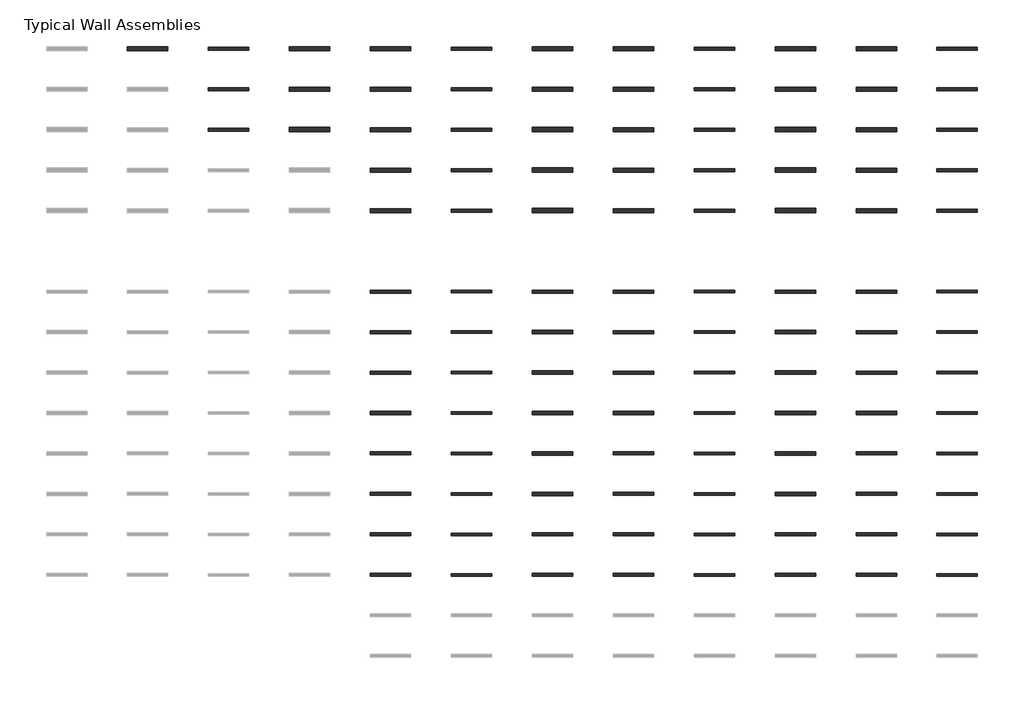
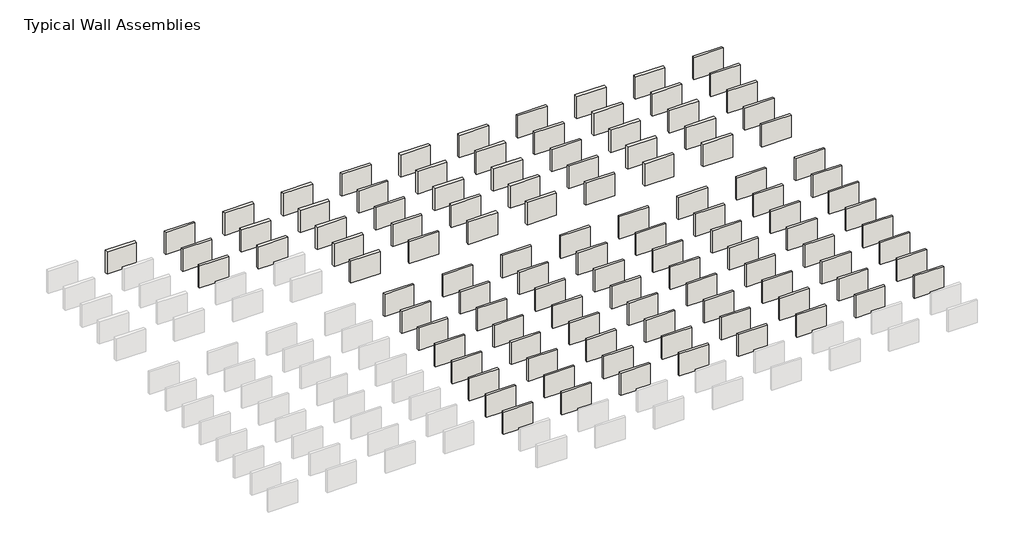
# One storey, part 8 of 8: 111 walls.
"""IFC4 building model written with IfcOpenShell, lengths in millimetres."""

from ifc_helpers import new_model, si_unit, frame, origin, place, context, project, spatial, polyline, outline, extrude, element, save

model = new_model("IFC4")

# Units and contexts
model_context = context("Model", 3, world=origin())
ifc_project = project(units=[si_unit("LENGTHUNIT", "METRE", prefix="MILLI")], contexts=[model_context])

# Site, building, storey
site = spatial("IfcSite", under=ifc_project)
building = spatial("IfcBuilding", under=site)
storey = spatial("IfcBuildingStorey", under=building, Name="Typical Wall Assemblies", Elevation=6096.0)

# Walls
placement = place(None, origin())
element("IfcWall", 1, at=placement, inside=storey, context=model_context, shape_type="SweptSolid", body=[
    extrude(outline(polyline([(-14931.125069, 40675.0407429), (-17979.125069, 40675.0407429), (-17979.125069, 40994.1282521), (-14931.125069, 40994.1282521), (-14931.125069, 40675.0407429)])), frame((0.0, 0.0, 6096.0), z_axis=(0.0, 0.0, 1.0), x_axis=(1.0, 0.0, 0.0)), (0.0, 0.0, 1.0), 2438.4),
])
element("IfcWall", 2, at=placement, inside=storey, context=model_context, shape_type="SweptSolid", body=[
    extrude(outline(polyline([(-8835.125069, 40713.9344947), (-11883.125069, 40713.9344947), (-11883.125069, 40955.2345002), (-8835.125069, 40955.2345002), (-8835.125069, 40713.9344947)])), frame((0.0, 0.0, 6096.0), z_axis=(0.0, 0.0, 1.0), x_axis=(1.0, 0.0, 0.0)), (0.0, 0.0, 1.0), 2438.4),
])
element("IfcWall", 3, at=placement, inside=storey, context=model_context, shape_type="SweptSolid", body=[
    extrude(outline(polyline([(-2739.125069, 40670.2782429), (-5787.125069, 40670.2782429), (-5787.125069, 40998.8907521), (-2739.125069, 40998.8907521), (-2739.125069, 40670.2782429)])), frame((0.0, 0.0, 6096.0), z_axis=(0.0, 0.0, 1.0), x_axis=(1.0, 0.0, 0.0)), (0.0, 0.0, 1.0), 2438.4),
])
element("IfcWall", 4, at=placement, inside=storey, context=model_context, shape_type="SweptSolid", body=[
    extrude(outline(polyline([(3356.874931, 40675.0407429), (308.874931, 40675.0407429), (308.874931, 40994.1282521), (3356.874931, 40994.1282521), (3356.874931, 40675.0407429)])), frame((0.0, 0.0, 6096.0), z_axis=(0.0, 0.0, 1.0), x_axis=(1.0, 0.0, 0.0)), (0.0, 0.0, 1.0), 2438.4),
])
element("IfcWall", 5, at=placement, inside=storey, context=model_context, shape_type="SweptSolid", body=[
    extrude(outline(polyline([(9452.874931, 40713.9344947), (6404.874931, 40713.9344947), (6404.874931, 40955.2345002), (9452.874931, 40955.2345002), (9452.874931, 40713.9344947)])), frame((0.0, 0.0, 6096.0), z_axis=(0.0, 0.0, 1.0), x_axis=(1.0, 0.0, 0.0)), (0.0, 0.0, 1.0), 2438.4),
])
element("IfcWall", 6, at=placement, inside=storey, context=model_context, shape_type="SweptSolid", body=[
    extrude(outline(polyline([(15548.874931, 40670.2782429), (12500.874931, 40670.2782429), (12500.874931, 40998.8907521), (15548.874931, 40998.8907521), (15548.874931, 40670.2782429)])), frame((0.0, 0.0, 6096.0), z_axis=(0.0, 0.0, 1.0), x_axis=(1.0, 0.0, 0.0)), (0.0, 0.0, 1.0), 2438.4),
])
element("IfcWall", 7, at=placement, inside=storey, context=model_context, shape_type="SweptSolid", body=[
    extrude(outline(polyline([(21644.874931, 40675.0407429), (18596.874931, 40675.0407429), (18596.874931, 40994.1282521), (21644.874931, 40994.1282521), (21644.874931, 40675.0407429)])), frame((0.0, 0.0, 6096.0), z_axis=(0.0, 0.0, 1.0), x_axis=(1.0, 0.0, 0.0)), (0.0, 0.0, 1.0), 2438.4),
])
element("IfcWall", 8, at=placement, inside=storey, context=model_context, shape_type="SweptSolid", body=[
    extrude(outline(polyline([(27740.874931, 40713.9344947), (24692.874931, 40713.9344947), (24692.874931, 40955.2345002), (27740.874931, 40955.2345002), (27740.874931, 40713.9344947)])), frame((0.0, 0.0, 6096.0), z_axis=(0.0, 0.0, 1.0), x_axis=(1.0, 0.0, 0.0)), (0.0, 0.0, 1.0), 2438.4),
])
element("IfcWall", 9, at=placement, inside=storey, context=model_context, shape_type="SweptSolid", body=[
    extrude(outline(polyline([(33836.874931, 40670.2782429), (30788.874931, 40670.2782429), (30788.874931, 40998.8907521), (33836.874931, 40998.8907521), (33836.874931, 40670.2782429)])), frame((0.0, 0.0, 6096.0), z_axis=(0.0, 0.0, 1.0), x_axis=(1.0, 0.0, 0.0)), (0.0, 0.0, 1.0), 2438.4),
])
element("IfcWall", 10, at=placement, inside=storey, context=model_context, shape_type="SweptSolid", body=[
    extrude(outline(polyline([(39932.874931, 40675.0407429), (36884.874931, 40675.0407429), (36884.874931, 40994.1282521), (39932.874931, 40994.1282521), (39932.874931, 40675.0407429)])), frame((0.0, 0.0, 6096.0), z_axis=(0.0, 0.0, 1.0), x_axis=(1.0, 0.0, 0.0)), (0.0, 0.0, 1.0), 2438.4),
])
element("IfcWall", 11, at=placement, inside=storey, context=model_context, shape_type="SweptSolid", body=[
    extrude(outline(polyline([(46028.874931, 40713.9344947), (42980.874931, 40713.9344947), (42980.874931, 40955.2345002), (46028.874931, 40955.2345002), (46028.874931, 40713.9344947)])), frame((0.0, 0.0, 6096.0), z_axis=(0.0, 0.0, 1.0), x_axis=(1.0, 0.0, 0.0)), (0.0, 0.0, 1.0), 2438.4),
])
element("IfcWall", 12, at=placement, inside=storey, context=model_context, shape_type="SweptSolid", body=[
    extrude(outline(polyline([(-8835.125069, 37665.9344947), (-11883.125069, 37665.9344947), (-11883.125069, 37907.2345002), (-8835.125069, 37907.2345002), (-8835.125069, 37665.9344947)])), frame((0.0, 0.0, 6096.0), z_axis=(0.0, 0.0, 1.0), x_axis=(1.0, 0.0, 0.0)), (0.0, 0.0, 1.0), 2438.4),
])
element("IfcWall", 13, at=placement, inside=storey, context=model_context, shape_type="SweptSolid", body=[
    extrude(outline(polyline([(-2739.125069, 37622.2782429), (-5787.125069, 37622.2782429), (-5787.125069, 37950.8907521), (-2739.125069, 37950.8907521), (-2739.125069, 37622.2782429)])), frame((0.0, 0.0, 6096.0), z_axis=(0.0, 0.0, 1.0), x_axis=(1.0, 0.0, 0.0)), (0.0, 0.0, 1.0), 2438.4),
])
element("IfcWall", 14, at=placement, inside=storey, context=model_context, shape_type="SweptSolid", body=[
    extrude(outline(polyline([(3356.874931, 37627.0407429), (308.874931, 37627.0407429), (308.874931, 37946.1282521), (3356.874931, 37946.1282521), (3356.874931, 37627.0407429)])), frame((0.0, 0.0, 6096.0), z_axis=(0.0, 0.0, 1.0), x_axis=(1.0, 0.0, 0.0)), (0.0, 0.0, 1.0), 2438.4),
])
element("IfcWall", 15, at=placement, inside=storey, context=model_context, shape_type="SweptSolid", body=[
    extrude(outline(polyline([(9452.874931, 37665.9344947), (6404.874931, 37665.9344947), (6404.874931, 37907.2345002), (9452.874931, 37907.2345002), (9452.874931, 37665.9344947)])), frame((0.0, 0.0, 6096.0), z_axis=(0.0, 0.0, 1.0), x_axis=(1.0, 0.0, 0.0)), (0.0, 0.0, 1.0), 2438.4),
])
element("IfcWall", 16, at=placement, inside=storey, context=model_context, shape_type="SweptSolid", body=[
    extrude(outline(polyline([(15548.874931, 37622.2782429), (12500.874931, 37622.2782429), (12500.874931, 37950.8907521), (15548.874931, 37950.8907521), (15548.874931, 37622.2782429)])), frame((0.0, 0.0, 6096.0), z_axis=(0.0, 0.0, 1.0), x_axis=(1.0, 0.0, 0.0)), (0.0, 0.0, 1.0), 2438.4),
])
element("IfcWall", 17, at=placement, inside=storey, context=model_context, shape_type="SweptSolid", body=[
    extrude(outline(polyline([(21644.874931, 37627.0407429), (18596.874931, 37627.0407429), (18596.874931, 37946.1282521), (21644.874931, 37946.1282521), (21644.874931, 37627.0407429)])), frame((0.0, 0.0, 6096.0), z_axis=(0.0, 0.0, 1.0), x_axis=(1.0, 0.0, 0.0)), (0.0, 0.0, 1.0), 2438.4),
])
element("IfcWall", 18, at=placement, inside=storey, context=model_context, shape_type="SweptSolid", body=[
    extrude(outline(polyline([(27740.874931, 37665.9344947), (24692.874931, 37665.9344947), (24692.874931, 37907.2345002), (27740.874931, 37907.2345002), (27740.874931, 37665.9344947)])), frame((0.0, 0.0, 6096.0), z_axis=(0.0, 0.0, 1.0), x_axis=(1.0, 0.0, 0.0)), (0.0, 0.0, 1.0), 2438.4),
])
element("IfcWall", 19, at=placement, inside=storey, context=model_context, shape_type="SweptSolid", body=[
    extrude(outline(polyline([(33836.874931, 37622.2782429), (30788.874931, 37622.2782429), (30788.874931, 37950.8907521), (33836.874931, 37950.8907521), (33836.874931, 37622.2782429)])), frame((0.0, 0.0, 6096.0), z_axis=(0.0, 0.0, 1.0), x_axis=(1.0, 0.0, 0.0)), (0.0, 0.0, 1.0), 2438.4),
])
element("IfcWall", 20, at=placement, inside=storey, context=model_context, shape_type="SweptSolid", body=[
    extrude(outline(polyline([(39932.874931, 37627.0407429), (36884.874931, 37627.0407429), (36884.874931, 37946.1282521), (39932.874931, 37946.1282521), (39932.874931, 37627.0407429)])), frame((0.0, 0.0, 6096.0), z_axis=(0.0, 0.0, 1.0), x_axis=(1.0, 0.0, 0.0)), (0.0, 0.0, 1.0), 2438.4),
])
element("IfcWall", 21, at=placement, inside=storey, context=model_context, shape_type="SweptSolid", body=[
    extrude(outline(polyline([(46028.874931, 37665.9344947), (42980.874931, 37665.9344947), (42980.874931, 37907.2345002), (46028.874931, 37907.2345002), (46028.874931, 37665.9344947)])), frame((0.0, 0.0, 6096.0), z_axis=(0.0, 0.0, 1.0), x_axis=(1.0, 0.0, 0.0)), (0.0, 0.0, 1.0), 2438.4),
])
element("IfcWall", 22, at=placement, inside=storey, context=model_context, shape_type="SweptSolid", body=[
    extrude(outline(polyline([(-8835.125069, 34617.9344947), (-11883.125069, 34617.9344947), (-11883.125069, 34859.2345002), (-8835.125069, 34859.2345002), (-8835.125069, 34617.9344947)])), frame((0.0, 0.0, 6096.0), z_axis=(0.0, 0.0, 1.0), x_axis=(1.0, 0.0, 0.0)), (0.0, 0.0, 1.0), 2438.4),
])
element("IfcWall", 23, at=placement, inside=storey, context=model_context, shape_type="SweptSolid", body=[
    extrude(outline(polyline([(-2739.125069, 34574.2782429), (-5787.125069, 34574.2782429), (-5787.125069, 34902.8907521), (-2739.125069, 34902.8907521), (-2739.125069, 34574.2782429)])), frame((0.0, 0.0, 6096.0), z_axis=(0.0, 0.0, 1.0), x_axis=(1.0, 0.0, 0.0)), (0.0, 0.0, 1.0), 2438.4),
])
element("IfcWall", 24, at=placement, inside=storey, context=model_context, shape_type="SweptSolid", body=[
    extrude(outline(polyline([(3356.874931, 34579.0407429), (308.874931, 34579.0407429), (308.874931, 34898.1282521), (3356.874931, 34898.1282521), (3356.874931, 34579.0407429)])), frame((0.0, 0.0, 6096.0), z_axis=(0.0, 0.0, 1.0), x_axis=(1.0, 0.0, 0.0)), (0.0, 0.0, 1.0), 2438.4),
])
element("IfcWall", 25, at=placement, inside=storey, context=model_context, shape_type="SweptSolid", body=[
    extrude(outline(polyline([(9452.874931, 34617.9344947), (6404.874931, 34617.9344947), (6404.874931, 34859.2345002), (9452.874931, 34859.2345002), (9452.874931, 34617.9344947)])), frame((0.0, 0.0, 6096.0), z_axis=(0.0, 0.0, 1.0), x_axis=(1.0, 0.0, 0.0)), (0.0, 0.0, 1.0), 2438.4),
])
element("IfcWall", 26, at=placement, inside=storey, context=model_context, shape_type="SweptSolid", body=[
    extrude(outline(polyline([(15548.874931, 34574.2782429), (12500.874931, 34574.2782429), (12500.874931, 34902.8907521), (15548.874931, 34902.8907521), (15548.874931, 34574.2782429)])), frame((0.0, 0.0, 6096.0), z_axis=(0.0, 0.0, 1.0), x_axis=(1.0, 0.0, 0.0)), (0.0, 0.0, 1.0), 2438.4),
])
element("IfcWall", 27, at=placement, inside=storey, context=model_context, shape_type="SweptSolid", body=[
    extrude(outline(polyline([(21644.874931, 34579.0407429), (18596.874931, 34579.0407429), (18596.874931, 34898.1282521), (21644.874931, 34898.1282521), (21644.874931, 34579.0407429)])), frame((0.0, 0.0, 6096.0), z_axis=(0.0, 0.0, 1.0), x_axis=(1.0, 0.0, 0.0)), (0.0, 0.0, 1.0), 2438.4),
])
element("IfcWall", 28, at=placement, inside=storey, context=model_context, shape_type="SweptSolid", body=[
    extrude(outline(polyline([(27740.874931, 34617.9344947), (24692.874931, 34617.9344947), (24692.874931, 34859.2345002), (27740.874931, 34859.2345002), (27740.874931, 34617.9344947)])), frame((0.0, 0.0, 6096.0), z_axis=(0.0, 0.0, 1.0), x_axis=(1.0, 0.0, 0.0)), (0.0, 0.0, 1.0), 2438.4),
])
element("IfcWall", 29, at=placement, inside=storey, context=model_context, shape_type="SweptSolid", body=[
    extrude(outline(polyline([(33836.874931, 34574.2782429), (30788.874931, 34574.2782429), (30788.874931, 34902.8907521), (33836.874931, 34902.8907521), (33836.874931, 34574.2782429)])), frame((0.0, 0.0, 6096.0), z_axis=(0.0, 0.0, 1.0), x_axis=(1.0, 0.0, 0.0)), (0.0, 0.0, 1.0), 2438.4),
])
element("IfcWall", 30, at=placement, inside=storey, context=model_context, shape_type="SweptSolid", body=[
    extrude(outline(polyline([(39932.874931, 34579.0407429), (36884.874931, 34579.0407429), (36884.874931, 34898.1282521), (39932.874931, 34898.1282521), (39932.874931, 34579.0407429)])), frame((0.0, 0.0, 6096.0), z_axis=(0.0, 0.0, 1.0), x_axis=(1.0, 0.0, 0.0)), (0.0, 0.0, 1.0), 2438.4),
])
element("IfcWall", 31, at=placement, inside=storey, context=model_context, shape_type="SweptSolid", body=[
    extrude(outline(polyline([(46028.874931, 34617.9344947), (42980.874931, 34617.9344947), (42980.874931, 34859.2345002), (46028.874931, 34859.2345002), (46028.874931, 34617.9344947)])), frame((0.0, 0.0, 6096.0), z_axis=(0.0, 0.0, 1.0), x_axis=(1.0, 0.0, 0.0)), (0.0, 0.0, 1.0), 2438.4),
])
element("IfcWall", 32, at=placement, inside=storey, context=model_context, shape_type="SweptSolid", body=[
    extrude(outline(polyline([(3356.874931, 31531.0407429), (308.874931, 31531.0407429), (308.874931, 31850.1282521), (3356.874931, 31850.1282521), (3356.874931, 31531.0407429)])), frame((0.0, 0.0, 6096.0), z_axis=(0.0, 0.0, 1.0), x_axis=(1.0, 0.0, 0.0)), (0.0, 0.0, 1.0), 2438.4),
])
element("IfcWall", 33, at=placement, inside=storey, context=model_context, shape_type="SweptSolid", body=[
    extrude(outline(polyline([(9452.874931, 31569.9344947), (6404.874931, 31569.9344947), (6404.874931, 31811.2345002), (9452.874931, 31811.2345002), (9452.874931, 31569.9344947)])), frame((0.0, 0.0, 6096.0), z_axis=(0.0, 0.0, 1.0), x_axis=(1.0, 0.0, 0.0)), (0.0, 0.0, 1.0), 2438.4),
])
element("IfcWall", 34, at=placement, inside=storey, context=model_context, shape_type="SweptSolid", body=[
    extrude(outline(polyline([(15548.874931, 31526.2782429), (12500.874931, 31526.2782429), (12500.874931, 31854.8907521), (15548.874931, 31854.8907521), (15548.874931, 31526.2782429)])), frame((0.0, 0.0, 6096.0), z_axis=(0.0, 0.0, 1.0), x_axis=(1.0, 0.0, 0.0)), (0.0, 0.0, 1.0), 2438.4),
])
element("IfcWall", 35, at=placement, inside=storey, context=model_context, shape_type="SweptSolid", body=[
    extrude(outline(polyline([(21644.874931, 31531.0407429), (18596.874931, 31531.0407429), (18596.874931, 31850.1282521), (21644.874931, 31850.1282521), (21644.874931, 31531.0407429)])), frame((0.0, 0.0, 6096.0), z_axis=(0.0, 0.0, 1.0), x_axis=(1.0, 0.0, 0.0)), (0.0, 0.0, 1.0), 2438.4),
])
element("IfcWall", 36, at=placement, inside=storey, context=model_context, shape_type="SweptSolid", body=[
    extrude(outline(polyline([(27740.874931, 31569.9344947), (24692.874931, 31569.9344947), (24692.874931, 31811.2345002), (27740.874931, 31811.2345002), (27740.874931, 31569.9344947)])), frame((0.0, 0.0, 6096.0), z_axis=(0.0, 0.0, 1.0), x_axis=(1.0, 0.0, 0.0)), (0.0, 0.0, 1.0), 2438.4),
])
element("IfcWall", 37, at=placement, inside=storey, context=model_context, shape_type="SweptSolid", body=[
    extrude(outline(polyline([(33836.874931, 31526.2782429), (30788.874931, 31526.2782429), (30788.874931, 31854.8907521), (33836.874931, 31854.8907521), (33836.874931, 31526.2782429)])), frame((0.0, 0.0, 6096.0), z_axis=(0.0, 0.0, 1.0), x_axis=(1.0, 0.0, 0.0)), (0.0, 0.0, 1.0), 2438.4),
])
element("IfcWall", 38, at=placement, inside=storey, context=model_context, shape_type="SweptSolid", body=[
    extrude(outline(polyline([(39932.874931, 31531.0407429), (36884.874931, 31531.0407429), (36884.874931, 31850.1282521), (39932.874931, 31850.1282521), (39932.874931, 31531.0407429)])), frame((0.0, 0.0, 6096.0), z_axis=(0.0, 0.0, 1.0), x_axis=(1.0, 0.0, 0.0)), (0.0, 0.0, 1.0), 2438.4),
])
element("IfcWall", 39, at=placement, inside=storey, context=model_context, shape_type="SweptSolid", body=[
    extrude(outline(polyline([(46028.874931, 31569.9344947), (42980.874931, 31569.9344947), (42980.874931, 31811.2345002), (46028.874931, 31811.2345002), (46028.874931, 31569.9344947)])), frame((0.0, 0.0, 6096.0), z_axis=(0.0, 0.0, 1.0), x_axis=(1.0, 0.0, 0.0)), (0.0, 0.0, 1.0), 2438.4),
])
element("IfcWall", 40, at=placement, inside=storey, context=model_context, shape_type="SweptSolid", body=[
    extrude(outline(polyline([(3356.874931, 28483.0407429), (308.874931, 28483.0407429), (308.874931, 28802.1282521), (3356.874931, 28802.1282521), (3356.874931, 28483.0407429)])), frame((0.0, 0.0, 6096.0), z_axis=(0.0, 0.0, 1.0), x_axis=(1.0, 0.0, 0.0)), (0.0, 0.0, 1.0), 2438.4),
])
element("IfcWall", 41, at=placement, inside=storey, context=model_context, shape_type="SweptSolid", body=[
    extrude(outline(polyline([(9452.874931, 28521.9344947), (6404.874931, 28521.9344947), (6404.874931, 28763.2345002), (9452.874931, 28763.2345002), (9452.874931, 28521.9344947)])), frame((0.0, 0.0, 6096.0), z_axis=(0.0, 0.0, 1.0), x_axis=(1.0, 0.0, 0.0)), (0.0, 0.0, 1.0), 2438.4),
])
element("IfcWall", 42, at=placement, inside=storey, context=model_context, shape_type="SweptSolid", body=[
    extrude(outline(polyline([(15548.874931, 28478.2782429), (12500.874931, 28478.2782429), (12500.874931, 28806.8907521), (15548.874931, 28806.8907521), (15548.874931, 28478.2782429)])), frame((0.0, 0.0, 6096.0), z_axis=(0.0, 0.0, 1.0), x_axis=(1.0, 0.0, 0.0)), (0.0, 0.0, 1.0), 2438.4),
])
element("IfcWall", 43, at=placement, inside=storey, context=model_context, shape_type="SweptSolid", body=[
    extrude(outline(polyline([(21644.874931, 28483.0407429), (18596.874931, 28483.0407429), (18596.874931, 28802.1282521), (21644.874931, 28802.1282521), (21644.874931, 28483.0407429)])), frame((0.0, 0.0, 6096.0), z_axis=(0.0, 0.0, 1.0), x_axis=(1.0, 0.0, 0.0)), (0.0, 0.0, 1.0), 2438.4),
])
element("IfcWall", 44, at=placement, inside=storey, context=model_context, shape_type="SweptSolid", body=[
    extrude(outline(polyline([(27740.874931, 28521.9344947), (24692.874931, 28521.9344947), (24692.874931, 28763.2345002), (27740.874931, 28763.2345002), (27740.874931, 28521.9344947)])), frame((0.0, 0.0, 6096.0), z_axis=(0.0, 0.0, 1.0), x_axis=(1.0, 0.0, 0.0)), (0.0, 0.0, 1.0), 2438.4),
])
element("IfcWall", 45, at=placement, inside=storey, context=model_context, shape_type="SweptSolid", body=[
    extrude(outline(polyline([(33836.874931, 28478.2782429), (30788.874931, 28478.2782429), (30788.874931, 28806.8907521), (33836.874931, 28806.8907521), (33836.874931, 28478.2782429)])), frame((0.0, 0.0, 6096.0), z_axis=(0.0, 0.0, 1.0), x_axis=(1.0, 0.0, 0.0)), (0.0, 0.0, 1.0), 2438.4),
])
element("IfcWall", 46, at=placement, inside=storey, context=model_context, shape_type="SweptSolid", body=[
    extrude(outline(polyline([(39932.874931, 28483.0407429), (36884.874931, 28483.0407429), (36884.874931, 28802.1282521), (39932.874931, 28802.1282521), (39932.874931, 28483.0407429)])), frame((0.0, 0.0, 6096.0), z_axis=(0.0, 0.0, 1.0), x_axis=(1.0, 0.0, 0.0)), (0.0, 0.0, 1.0), 2438.4),
])
element("IfcWall", 47, at=placement, inside=storey, context=model_context, shape_type="SweptSolid", body=[
    extrude(outline(polyline([(46028.874931, 28521.9344947), (42980.874931, 28521.9344947), (42980.874931, 28763.2345002), (46028.874931, 28763.2345002), (46028.874931, 28521.9344947)])), frame((0.0, 0.0, 6096.0), z_axis=(0.0, 0.0, 1.0), x_axis=(1.0, 0.0, 0.0)), (0.0, 0.0, 1.0), 2438.4),
])
element("IfcWall", 48, at=placement, inside=storey, context=model_context, shape_type="SweptSolid", body=[
    extrude(outline(polyline([(3356.874931, 22433.0782439), (308.874931, 22433.0782439), (308.874931, 22660.090751), (3356.874931, 22660.090751), (3356.874931, 22433.0782439)])), frame((0.0, 0.0, 6096.0), z_axis=(0.0, 0.0, 1.0), x_axis=(1.0, 0.0, 0.0)), (0.0, 0.0, 1.0), 2438.4),
])
element("IfcWall", 49, at=placement, inside=storey, context=model_context, shape_type="SweptSolid", body=[
    extrude(outline(polyline([(9452.874931, 22443.396995), (6404.874931, 22443.396995), (6404.874931, 22649.772), (9452.874931, 22649.772), (9452.874931, 22443.396995)])), frame((0.0, 0.0, 6096.0), z_axis=(0.0, 0.0, 1.0), x_axis=(1.0, 0.0, 0.0)), (0.0, 0.0, 1.0), 2438.4),
])
element("IfcWall", 50, at=placement, inside=storey, context=model_context, shape_type="SweptSolid", body=[
    extrude(outline(polyline([(15548.874931, 22428.3157439), (12500.874931, 22428.3157439), (12500.874931, 22664.853251), (15548.874931, 22664.853251), (15548.874931, 22428.3157439)])), frame((0.0, 0.0, 6096.0), z_axis=(0.0, 0.0, 1.0), x_axis=(1.0, 0.0, 0.0)), (0.0, 0.0, 1.0), 2438.4),
])
element("IfcWall", 51, at=placement, inside=storey, context=model_context, shape_type="SweptSolid", body=[
    extrude(outline(polyline([(21644.874931, 22433.0782439), (18596.874931, 22433.0782439), (18596.874931, 22660.090751), (21644.874931, 22660.090751), (21644.874931, 22433.0782439)])), frame((0.0, 0.0, 6096.0), z_axis=(0.0, 0.0, 1.0), x_axis=(1.0, 0.0, 0.0)), (0.0, 0.0, 1.0), 2438.4),
])
element("IfcWall", 52, at=placement, inside=storey, context=model_context, shape_type="SweptSolid", body=[
    extrude(outline(polyline([(27740.874931, 22443.396995), (24692.874931, 22443.396995), (24692.874931, 22649.772), (27740.874931, 22649.772), (27740.874931, 22443.396995)])), frame((0.0, 0.0, 6096.0), z_axis=(0.0, 0.0, 1.0), x_axis=(1.0, 0.0, 0.0)), (0.0, 0.0, 1.0), 2438.4),
])
element("IfcWall", 53, at=placement, inside=storey, context=model_context, shape_type="SweptSolid", body=[
    extrude(outline(polyline([(33836.874931, 22428.3157439), (30788.874931, 22428.3157439), (30788.874931, 22664.853251), (33836.874931, 22664.853251), (33836.874931, 22428.3157439)])), frame((0.0, 0.0, 6096.0), z_axis=(0.0, 0.0, 1.0), x_axis=(1.0, 0.0, 0.0)), (0.0, 0.0, 1.0), 2438.4),
])
element("IfcWall", 54, at=placement, inside=storey, context=model_context, shape_type="SweptSolid", body=[
    extrude(outline(polyline([(39932.874931, 22433.0782439), (36884.874931, 22433.0782439), (36884.874931, 22660.090751), (39932.874931, 22660.090751), (39932.874931, 22433.0782439)])), frame((0.0, 0.0, 6096.0), z_axis=(0.0, 0.0, 1.0), x_axis=(1.0, 0.0, 0.0)), (0.0, 0.0, 1.0), 2438.4),
])
element("IfcWall", 55, at=placement, inside=storey, context=model_context, shape_type="SweptSolid", body=[
    extrude(outline(polyline([(46028.874931, 22443.396995), (42980.874931, 22443.396995), (42980.874931, 22649.772), (46028.874931, 22649.772), (46028.874931, 22443.396995)])), frame((0.0, 0.0, 6096.0), z_axis=(0.0, 0.0, 1.0), x_axis=(1.0, 0.0, 0.0)), (0.0, 0.0, 1.0), 2438.4),
])
element("IfcWall", 56, at=placement, inside=storey, context=model_context, shape_type="SweptSolid", body=[
    extrude(outline(polyline([(3356.874931, 19385.0782439), (308.874931, 19385.0782439), (308.874931, 19612.090751), (3356.874931, 19612.090751), (3356.874931, 19385.0782439)])), frame((0.0, 0.0, 6096.0), z_axis=(0.0, 0.0, 1.0), x_axis=(1.0, 0.0, 0.0)), (0.0, 0.0, 1.0), 2438.4),
])
element("IfcWall", 57, at=placement, inside=storey, context=model_context, shape_type="SweptSolid", body=[
    extrude(outline(polyline([(9452.874931, 19395.396995), (6404.874931, 19395.396995), (6404.874931, 19601.772), (9452.874931, 19601.772), (9452.874931, 19395.396995)])), frame((0.0, 0.0, 6096.0), z_axis=(0.0, 0.0, 1.0), x_axis=(1.0, 0.0, 0.0)), (0.0, 0.0, 1.0), 2438.4),
])
element("IfcWall", 58, at=placement, inside=storey, context=model_context, shape_type="SweptSolid", body=[
    extrude(outline(polyline([(15548.874931, 19380.3157439), (12500.874931, 19380.3157439), (12500.874931, 19616.853251), (15548.874931, 19616.853251), (15548.874931, 19380.3157439)])), frame((0.0, 0.0, 6096.0), z_axis=(0.0, 0.0, 1.0), x_axis=(1.0, 0.0, 0.0)), (0.0, 0.0, 1.0), 2438.4),
])
element("IfcWall", 59, at=placement, inside=storey, context=model_context, shape_type="SweptSolid", body=[
    extrude(outline(polyline([(21644.874931, 19385.0782439), (18596.874931, 19385.0782439), (18596.874931, 19612.090751), (21644.874931, 19612.090751), (21644.874931, 19385.0782439)])), frame((0.0, 0.0, 6096.0), z_axis=(0.0, 0.0, 1.0), x_axis=(1.0, 0.0, 0.0)), (0.0, 0.0, 1.0), 2438.4),
])
element("IfcWall", 60, at=placement, inside=storey, context=model_context, shape_type="SweptSolid", body=[
    extrude(outline(polyline([(27740.874931, 19395.396995), (24692.874931, 19395.396995), (24692.874931, 19601.772), (27740.874931, 19601.772), (27740.874931, 19395.396995)])), frame((0.0, 0.0, 6096.0), z_axis=(0.0, 0.0, 1.0), x_axis=(1.0, 0.0, 0.0)), (0.0, 0.0, 1.0), 2438.4),
])
element("IfcWall", 61, at=placement, inside=storey, context=model_context, shape_type="SweptSolid", body=[
    extrude(outline(polyline([(33836.874931, 19380.3157439), (30788.874931, 19380.3157439), (30788.874931, 19616.853251), (33836.874931, 19616.853251), (33836.874931, 19380.3157439)])), frame((0.0, 0.0, 6096.0), z_axis=(0.0, 0.0, 1.0), x_axis=(1.0, 0.0, 0.0)), (0.0, 0.0, 1.0), 2438.4),
])
element("IfcWall", 62, at=placement, inside=storey, context=model_context, shape_type="SweptSolid", body=[
    extrude(outline(polyline([(39932.874931, 19385.0782439), (36884.874931, 19385.0782439), (36884.874931, 19612.090751), (39932.874931, 19612.090751), (39932.874931, 19385.0782439)])), frame((0.0, 0.0, 6096.0), z_axis=(0.0, 0.0, 1.0), x_axis=(1.0, 0.0, 0.0)), (0.0, 0.0, 1.0), 2438.4),
])
element("IfcWall", 63, at=placement, inside=storey, context=model_context, shape_type="SweptSolid", body=[
    extrude(outline(polyline([(46028.874931, 19395.396995), (42980.874931, 19395.396995), (42980.874931, 19601.772), (46028.874931, 19601.772), (46028.874931, 19395.396995)])), frame((0.0, 0.0, 6096.0), z_axis=(0.0, 0.0, 1.0), x_axis=(1.0, 0.0, 0.0)), (0.0, 0.0, 1.0), 2438.4),
])
element("IfcWall", 64, at=placement, inside=storey, context=model_context, shape_type="SweptSolid", body=[
    extrude(outline(polyline([(3356.874931, 16337.0782439), (308.874931, 16337.0782439), (308.874931, 16564.090751), (3356.874931, 16564.090751), (3356.874931, 16337.0782439)])), frame((0.0, 0.0, 6096.0), z_axis=(0.0, 0.0, 1.0), x_axis=(1.0, 0.0, 0.0)), (0.0, 0.0, 1.0), 2438.4),
])
element("IfcWall", 65, at=placement, inside=storey, context=model_context, shape_type="SweptSolid", body=[
    extrude(outline(polyline([(9452.874931, 16347.396995), (6404.874931, 16347.396995), (6404.874931, 16553.772), (9452.874931, 16553.772), (9452.874931, 16347.396995)])), frame((0.0, 0.0, 6096.0), z_axis=(0.0, 0.0, 1.0), x_axis=(1.0, 0.0, 0.0)), (0.0, 0.0, 1.0), 2438.4),
])
element("IfcWall", 66, at=placement, inside=storey, context=model_context, shape_type="SweptSolid", body=[
    extrude(outline(polyline([(15548.874931, 16332.3157439), (12500.874931, 16332.3157439), (12500.874931, 16568.853251), (15548.874931, 16568.853251), (15548.874931, 16332.3157439)])), frame((0.0, 0.0, 6096.0), z_axis=(0.0, 0.0, 1.0), x_axis=(1.0, 0.0, 0.0)), (0.0, 0.0, 1.0), 2438.4),
])
element("IfcWall", 67, at=placement, inside=storey, context=model_context, shape_type="SweptSolid", body=[
    extrude(outline(polyline([(21644.874931, 16337.0782439), (18596.874931, 16337.0782439), (18596.874931, 16564.090751), (21644.874931, 16564.090751), (21644.874931, 16337.0782439)])), frame((0.0, 0.0, 6096.0), z_axis=(0.0, 0.0, 1.0), x_axis=(1.0, 0.0, 0.0)), (0.0, 0.0, 1.0), 2438.4),
])
element("IfcWall", 68, at=placement, inside=storey, context=model_context, shape_type="SweptSolid", body=[
    extrude(outline(polyline([(27740.874931, 16347.396995), (24692.874931, 16347.396995), (24692.874931, 16553.772), (27740.874931, 16553.772), (27740.874931, 16347.396995)])), frame((0.0, 0.0, 6096.0), z_axis=(0.0, 0.0, 1.0), x_axis=(1.0, 0.0, 0.0)), (0.0, 0.0, 1.0), 2438.4),
])
element("IfcWall", 69, at=placement, inside=storey, context=model_context, shape_type="SweptSolid", body=[
    extrude(outline(polyline([(33836.874931, 16332.3157439), (30788.874931, 16332.3157439), (30788.874931, 16568.853251), (33836.874931, 16568.853251), (33836.874931, 16332.3157439)])), frame((0.0, 0.0, 6096.0), z_axis=(0.0, 0.0, 1.0), x_axis=(1.0, 0.0, 0.0)), (0.0, 0.0, 1.0), 2438.4),
])
element("IfcWall", 70, at=placement, inside=storey, context=model_context, shape_type="SweptSolid", body=[
    extrude(outline(polyline([(39932.874931, 16337.0782439), (36884.874931, 16337.0782439), (36884.874931, 16564.090751), (39932.874931, 16564.090751), (39932.874931, 16337.0782439)])), frame((0.0, 0.0, 6096.0), z_axis=(0.0, 0.0, 1.0), x_axis=(1.0, 0.0, 0.0)), (0.0, 0.0, 1.0), 2438.4),
])
element("IfcWall", 71, at=placement, inside=storey, context=model_context, shape_type="SweptSolid", body=[
    extrude(outline(polyline([(46028.874931, 16347.396995), (42980.874931, 16347.396995), (42980.874931, 16553.772), (46028.874931, 16553.772), (46028.874931, 16347.396995)])), frame((0.0, 0.0, 6096.0), z_axis=(0.0, 0.0, 1.0), x_axis=(1.0, 0.0, 0.0)), (0.0, 0.0, 1.0), 2438.4),
])
element("IfcWall", 72, at=placement, inside=storey, context=model_context, shape_type="SweptSolid", body=[
    extrude(outline(polyline([(3356.874931, 13289.0782439), (308.874931, 13289.0782439), (308.874931, 13516.090751), (3356.874931, 13516.090751), (3356.874931, 13289.0782439)])), frame((0.0, 0.0, 6096.0), z_axis=(0.0, 0.0, 1.0), x_axis=(1.0, 0.0, 0.0)), (0.0, 0.0, 1.0), 2438.4),
])
element("IfcWall", 73, at=placement, inside=storey, context=model_context, shape_type="SweptSolid", body=[
    extrude(outline(polyline([(9452.874931, 13299.396995), (6404.874931, 13299.396995), (6404.874931, 13505.772), (9452.874931, 13505.772), (9452.874931, 13299.396995)])), frame((0.0, 0.0, 6096.0), z_axis=(0.0, 0.0, 1.0), x_axis=(1.0, 0.0, 0.0)), (0.0, 0.0, 1.0), 2438.4),
])
element("IfcWall", 74, at=placement, inside=storey, context=model_context, shape_type="SweptSolid", body=[
    extrude(outline(polyline([(15548.874931, 13284.3157439), (12500.874931, 13284.3157439), (12500.874931, 13520.853251), (15548.874931, 13520.853251), (15548.874931, 13284.3157439)])), frame((0.0, 0.0, 6096.0), z_axis=(0.0, 0.0, 1.0), x_axis=(1.0, 0.0, 0.0)), (0.0, 0.0, 1.0), 2438.4),
])
element("IfcWall", 75, at=placement, inside=storey, context=model_context, shape_type="SweptSolid", body=[
    extrude(outline(polyline([(21644.874931, 13289.0782439), (18596.874931, 13289.0782439), (18596.874931, 13516.090751), (21644.874931, 13516.090751), (21644.874931, 13289.0782439)])), frame((0.0, 0.0, 6096.0), z_axis=(0.0, 0.0, 1.0), x_axis=(1.0, 0.0, 0.0)), (0.0, 0.0, 1.0), 2438.4),
])
element("IfcWall", 76, at=placement, inside=storey, context=model_context, shape_type="SweptSolid", body=[
    extrude(outline(polyline([(27740.874931, 13299.396995), (24692.874931, 13299.396995), (24692.874931, 13505.772), (27740.874931, 13505.772), (27740.874931, 13299.396995)])), frame((0.0, 0.0, 6096.0), z_axis=(0.0, 0.0, 1.0), x_axis=(1.0, 0.0, 0.0)), (0.0, 0.0, 1.0), 2438.4),
])
element("IfcWall", 77, at=placement, inside=storey, context=model_context, shape_type="SweptSolid", body=[
    extrude(outline(polyline([(33836.874931, 13284.3157439), (30788.874931, 13284.3157439), (30788.874931, 13520.853251), (33836.874931, 13520.853251), (33836.874931, 13284.3157439)])), frame((0.0, 0.0, 6096.0), z_axis=(0.0, 0.0, 1.0), x_axis=(1.0, 0.0, 0.0)), (0.0, 0.0, 1.0), 2438.4),
])
element("IfcWall", 78, at=placement, inside=storey, context=model_context, shape_type="SweptSolid", body=[
    extrude(outline(polyline([(39932.874931, 13289.0782439), (36884.874931, 13289.0782439), (36884.874931, 13516.090751), (39932.874931, 13516.090751), (39932.874931, 13289.0782439)])), frame((0.0, 0.0, 6096.0), z_axis=(0.0, 0.0, 1.0), x_axis=(1.0, 0.0, 0.0)), (0.0, 0.0, 1.0), 2438.4),
])
element("IfcWall", 79, at=placement, inside=storey, context=model_context, shape_type="SweptSolid", body=[
    extrude(outline(polyline([(46028.874931, 13299.396995), (42980.874931, 13299.396995), (42980.874931, 13505.772), (46028.874931, 13505.772), (46028.874931, 13299.396995)])), frame((0.0, 0.0, 6096.0), z_axis=(0.0, 0.0, 1.0), x_axis=(1.0, 0.0, 0.0)), (0.0, 0.0, 1.0), 2438.4),
])
element("IfcWall", 80, at=placement, inside=storey, context=model_context, shape_type="SweptSolid", body=[
    extrude(outline(polyline([(3356.874931, 10241.0782439), (308.874931, 10241.0782439), (308.874931, 10468.090751), (3356.874931, 10468.090751), (3356.874931, 10241.0782439)])), frame((0.0, 0.0, 6096.0), z_axis=(0.0, 0.0, 1.0), x_axis=(1.0, 0.0, 0.0)), (0.0, 0.0, 1.0), 2438.4),
])
element("IfcWall", 81, at=placement, inside=storey, context=model_context, shape_type="SweptSolid", body=[
    extrude(outline(polyline([(9452.874931, 10251.396995), (6404.874931, 10251.396995), (6404.874931, 10457.772), (9452.874931, 10457.772), (9452.874931, 10251.396995)])), frame((0.0, 0.0, 6096.0), z_axis=(0.0, 0.0, 1.0), x_axis=(1.0, 0.0, 0.0)), (0.0, 0.0, 1.0), 2438.4),
])
element("IfcWall", 82, at=placement, inside=storey, context=model_context, shape_type="SweptSolid", body=[
    extrude(outline(polyline([(15548.874931, 10236.3157439), (12500.874931, 10236.3157439), (12500.874931, 10472.853251), (15548.874931, 10472.853251), (15548.874931, 10236.3157439)])), frame((0.0, 0.0, 6096.0), z_axis=(0.0, 0.0, 1.0), x_axis=(1.0, 0.0, 0.0)), (0.0, 0.0, 1.0), 2438.4),
])
element("IfcWall", 83, at=placement, inside=storey, context=model_context, shape_type="SweptSolid", body=[
    extrude(outline(polyline([(21644.874931, 10241.0782439), (18596.874931, 10241.0782439), (18596.874931, 10468.090751), (21644.874931, 10468.090751), (21644.874931, 10241.0782439)])), frame((0.0, 0.0, 6096.0), z_axis=(0.0, 0.0, 1.0), x_axis=(1.0, 0.0, 0.0)), (0.0, 0.0, 1.0), 2438.4),
])
element("IfcWall", 84, at=placement, inside=storey, context=model_context, shape_type="SweptSolid", body=[
    extrude(outline(polyline([(27740.874931, 10251.396995), (24692.874931, 10251.396995), (24692.874931, 10457.772), (27740.874931, 10457.772), (27740.874931, 10251.396995)])), frame((0.0, 0.0, 6096.0), z_axis=(0.0, 0.0, 1.0), x_axis=(1.0, 0.0, 0.0)), (0.0, 0.0, 1.0), 2438.4),
])
element("IfcWall", 85, at=placement, inside=storey, context=model_context, shape_type="SweptSolid", body=[
    extrude(outline(polyline([(33836.874931, 10236.3157439), (30788.874931, 10236.3157439), (30788.874931, 10472.853251), (33836.874931, 10472.853251), (33836.874931, 10236.3157439)])), frame((0.0, 0.0, 6096.0), z_axis=(0.0, 0.0, 1.0), x_axis=(1.0, 0.0, 0.0)), (0.0, 0.0, 1.0), 2438.4),
])
element("IfcWall", 86, at=placement, inside=storey, context=model_context, shape_type="SweptSolid", body=[
    extrude(outline(polyline([(39932.874931, 10241.0782439), (36884.874931, 10241.0782439), (36884.874931, 10468.090751), (39932.874931, 10468.090751), (39932.874931, 10241.0782439)])), frame((0.0, 0.0, 6096.0), z_axis=(0.0, 0.0, 1.0), x_axis=(1.0, 0.0, 0.0)), (0.0, 0.0, 1.0), 2438.4),
])
element("IfcWall", 87, at=placement, inside=storey, context=model_context, shape_type="SweptSolid", body=[
    extrude(outline(polyline([(46028.874931, 10251.396995), (42980.874931, 10251.396995), (42980.874931, 10457.772), (46028.874931, 10457.772), (46028.874931, 10251.396995)])), frame((0.0, 0.0, 6096.0), z_axis=(0.0, 0.0, 1.0), x_axis=(1.0, 0.0, 0.0)), (0.0, 0.0, 1.0), 2438.4),
])
element("IfcWall", 88, at=placement, inside=storey, context=model_context, shape_type="SweptSolid", body=[
    extrude(outline(polyline([(3356.874931, 7193.0782439), (308.874931, 7193.0782439), (308.874931, 7420.090751), (3356.874931, 7420.090751), (3356.874931, 7193.0782439)])), frame((0.0, 0.0, 6096.0), z_axis=(0.0, 0.0, 1.0), x_axis=(1.0, 0.0, 0.0)), (0.0, 0.0, 1.0), 2438.4),
])
element("IfcWall", 89, at=placement, inside=storey, context=model_context, shape_type="SweptSolid", body=[
    extrude(outline(polyline([(9452.874931, 7203.396995), (6404.874931, 7203.396995), (6404.874931, 7409.772), (9452.874931, 7409.772), (9452.874931, 7203.396995)])), frame((0.0, 0.0, 6096.0), z_axis=(0.0, 0.0, 1.0), x_axis=(1.0, 0.0, 0.0)), (0.0, 0.0, 1.0), 2438.4),
])
element("IfcWall", 90, at=placement, inside=storey, context=model_context, shape_type="SweptSolid", body=[
    extrude(outline(polyline([(15548.874931, 7188.3157439), (12500.874931, 7188.3157439), (12500.874931, 7424.853251), (15548.874931, 7424.853251), (15548.874931, 7188.3157439)])), frame((0.0, 0.0, 6096.0), z_axis=(0.0, 0.0, 1.0), x_axis=(1.0, 0.0, 0.0)), (0.0, 0.0, 1.0), 2438.4),
])
element("IfcWall", 91, at=placement, inside=storey, context=model_context, shape_type="SweptSolid", body=[
    extrude(outline(polyline([(21644.874931, 7193.0782439), (18596.874931, 7193.0782439), (18596.874931, 7420.090751), (21644.874931, 7420.090751), (21644.874931, 7193.0782439)])), frame((0.0, 0.0, 6096.0), z_axis=(0.0, 0.0, 1.0), x_axis=(1.0, 0.0, 0.0)), (0.0, 0.0, 1.0), 2438.4),
])
element("IfcWall", 92, at=placement, inside=storey, context=model_context, shape_type="SweptSolid", body=[
    extrude(outline(polyline([(27740.874931, 7203.396995), (24692.874931, 7203.396995), (24692.874931, 7409.772), (27740.874931, 7409.772), (27740.874931, 7203.396995)])), frame((0.0, 0.0, 6096.0), z_axis=(0.0, 0.0, 1.0), x_axis=(1.0, 0.0, 0.0)), (0.0, 0.0, 1.0), 2438.4),
])
element("IfcWall", 93, at=placement, inside=storey, context=model_context, shape_type="SweptSolid", body=[
    extrude(outline(polyline([(33836.874931, 7188.3157439), (30788.874931, 7188.3157439), (30788.874931, 7424.853251), (33836.874931, 7424.853251), (33836.874931, 7188.3157439)])), frame((0.0, 0.0, 6096.0), z_axis=(0.0, 0.0, 1.0), x_axis=(1.0, 0.0, 0.0)), (0.0, 0.0, 1.0), 2438.4),
])
element("IfcWall", 94, at=placement, inside=storey, context=model_context, shape_type="SweptSolid", body=[
    extrude(outline(polyline([(39932.874931, 7193.0782439), (36884.874931, 7193.0782439), (36884.874931, 7420.090751), (39932.874931, 7420.090751), (39932.874931, 7193.0782439)])), frame((0.0, 0.0, 6096.0), z_axis=(0.0, 0.0, 1.0), x_axis=(1.0, 0.0, 0.0)), (0.0, 0.0, 1.0), 2438.4),
])
element("IfcWall", 95, at=placement, inside=storey, context=model_context, shape_type="SweptSolid", body=[
    extrude(outline(polyline([(46028.874931, 7203.396995), (42980.874931, 7203.396995), (42980.874931, 7409.772), (46028.874931, 7409.772), (46028.874931, 7203.396995)])), frame((0.0, 0.0, 6096.0), z_axis=(0.0, 0.0, 1.0), x_axis=(1.0, 0.0, 0.0)), (0.0, 0.0, 1.0), 2438.4),
])
element("IfcWall", 96, at=placement, inside=storey, context=model_context, shape_type="SweptSolid", body=[
    extrude(outline(polyline([(3356.874931, 4145.0782439), (308.874931, 4145.0782439), (308.874931, 4372.090751), (3356.874931, 4372.090751), (3356.874931, 4145.0782439)])), frame((0.0, 0.0, 6096.0), z_axis=(0.0, 0.0, 1.0), x_axis=(1.0, 0.0, 0.0)), (0.0, 0.0, 1.0), 2438.4),
])
element("IfcWall", 97, at=placement, inside=storey, context=model_context, shape_type="SweptSolid", body=[
    extrude(outline(polyline([(9452.874931, 4155.396995), (6404.874931, 4155.396995), (6404.874931, 4361.772), (9452.874931, 4361.772), (9452.874931, 4155.396995)])), frame((0.0, 0.0, 6096.0), z_axis=(0.0, 0.0, 1.0), x_axis=(1.0, 0.0, 0.0)), (0.0, 0.0, 1.0), 2438.4),
])
element("IfcWall", 98, at=placement, inside=storey, context=model_context, shape_type="SweptSolid", body=[
    extrude(outline(polyline([(15548.874931, 4140.3157439), (12500.874931, 4140.3157439), (12500.874931, 4376.853251), (15548.874931, 4376.853251), (15548.874931, 4140.3157439)])), frame((0.0, 0.0, 6096.0), z_axis=(0.0, 0.0, 1.0), x_axis=(1.0, 0.0, 0.0)), (0.0, 0.0, 1.0), 2438.4),
])
element("IfcWall", 99, at=placement, inside=storey, context=model_context, shape_type="SweptSolid", body=[
    extrude(outline(polyline([(21644.874931, 4145.0782439), (18596.874931, 4145.0782439), (18596.874931, 4372.090751), (21644.874931, 4372.090751), (21644.874931, 4145.0782439)])), frame((0.0, 0.0, 6096.0), z_axis=(0.0, 0.0, 1.0), x_axis=(1.0, 0.0, 0.0)), (0.0, 0.0, 1.0), 2438.4),
])
element("IfcWall", 100, at=placement, inside=storey, context=model_context, shape_type="SweptSolid", body=[
    extrude(outline(polyline([(27740.874931, 4155.396995), (24692.874931, 4155.396995), (24692.874931, 4361.772), (27740.874931, 4361.772), (27740.874931, 4155.396995)])), frame((0.0, 0.0, 6096.0), z_axis=(0.0, 0.0, 1.0), x_axis=(1.0, 0.0, 0.0)), (0.0, 0.0, 1.0), 2438.4),
])
element("IfcWall", 101, at=placement, inside=storey, context=model_context, shape_type="SweptSolid", body=[
    extrude(outline(polyline([(33836.874931, 4140.3157439), (30788.874931, 4140.3157439), (30788.874931, 4376.853251), (33836.874931, 4376.853251), (33836.874931, 4140.3157439)])), frame((0.0, 0.0, 6096.0), z_axis=(0.0, 0.0, 1.0), x_axis=(1.0, 0.0, 0.0)), (0.0, 0.0, 1.0), 2438.4),
])
element("IfcWall", 102, at=placement, inside=storey, context=model_context, shape_type="SweptSolid", body=[
    extrude(outline(polyline([(39932.874931, 4145.0782439), (36884.874931, 4145.0782439), (36884.874931, 4372.090751), (39932.874931, 4372.090751), (39932.874931, 4145.0782439)])), frame((0.0, 0.0, 6096.0), z_axis=(0.0, 0.0, 1.0), x_axis=(1.0, 0.0, 0.0)), (0.0, 0.0, 1.0), 2438.4),
])
element("IfcWall", 103, at=placement, inside=storey, context=model_context, shape_type="SweptSolid", body=[
    extrude(outline(polyline([(46028.874931, 4155.396995), (42980.874931, 4155.396995), (42980.874931, 4361.772), (46028.874931, 4361.772), (46028.874931, 4155.396995)])), frame((0.0, 0.0, 6096.0), z_axis=(0.0, 0.0, 1.0), x_axis=(1.0, 0.0, 0.0)), (0.0, 0.0, 1.0), 2438.4),
])
element("IfcWall", 104, at=placement, inside=storey, context=model_context, shape_type="SweptSolid", body=[
    extrude(outline(polyline([(3356.874931, 1097.0782439), (308.874931, 1097.0782439), (308.874931, 1324.090751), (3356.874931, 1324.090751), (3356.874931, 1097.0782439)])), frame((0.0, 0.0, 6096.0), z_axis=(0.0, 0.0, 1.0), x_axis=(1.0, 0.0, 0.0)), (0.0, 0.0, 1.0), 2438.4),
])
element("IfcWall", 105, at=placement, inside=storey, context=model_context, shape_type="SweptSolid", body=[
    extrude(outline(polyline([(9452.874931, 1107.396995), (6404.874931, 1107.396995), (6404.874931, 1313.772), (9452.874931, 1313.772), (9452.874931, 1107.396995)])), frame((0.0, 0.0, 6096.0), z_axis=(0.0, 0.0, 1.0), x_axis=(1.0, 0.0, 0.0)), (0.0, 0.0, 1.0), 2438.4),
])
element("IfcWall", 106, at=placement, inside=storey, context=model_context, shape_type="SweptSolid", body=[
    extrude(outline(polyline([(15548.874931, 1092.3157439), (12500.874931, 1092.3157439), (12500.874931, 1328.853251), (15548.874931, 1328.853251), (15548.874931, 1092.3157439)])), frame((0.0, 0.0, 6096.0), z_axis=(0.0, 0.0, 1.0), x_axis=(1.0, 0.0, 0.0)), (0.0, 0.0, 1.0), 2438.4),
])
element("IfcWall", 107, at=placement, inside=storey, context=model_context, shape_type="SweptSolid", body=[
    extrude(outline(polyline([(21644.874931, 1097.0782439), (18596.874931, 1097.0782439), (18596.874931, 1324.090751), (21644.874931, 1324.090751), (21644.874931, 1097.0782439)])), frame((0.0, 0.0, 6096.0), z_axis=(0.0, 0.0, 1.0), x_axis=(1.0, 0.0, 0.0)), (0.0, 0.0, 1.0), 2438.4),
])
element("IfcWall", 108, at=placement, inside=storey, context=model_context, shape_type="SweptSolid", body=[
    extrude(outline(polyline([(27740.874931, 1107.396995), (24692.874931, 1107.396995), (24692.874931, 1313.772), (27740.874931, 1313.772), (27740.874931, 1107.396995)])), frame((0.0, 0.0, 6096.0), z_axis=(0.0, 0.0, 1.0), x_axis=(1.0, 0.0, 0.0)), (0.0, 0.0, 1.0), 2438.4),
])
element("IfcWall", 109, at=placement, inside=storey, context=model_context, shape_type="SweptSolid", body=[
    extrude(outline(polyline([(33836.874931, 1092.3157439), (30788.874931, 1092.3157439), (30788.874931, 1328.853251), (33836.874931, 1328.853251), (33836.874931, 1092.3157439)])), frame((0.0, 0.0, 6096.0), z_axis=(0.0, 0.0, 1.0), x_axis=(1.0, 0.0, 0.0)), (0.0, 0.0, 1.0), 2438.4),
])
element("IfcWall", 110, at=placement, inside=storey, context=model_context, shape_type="SweptSolid", body=[
    extrude(outline(polyline([(39932.874931, 1097.0782439), (36884.874931, 1097.0782439), (36884.874931, 1324.090751), (39932.874931, 1324.090751), (39932.874931, 1097.0782439)])), frame((0.0, 0.0, 6096.0), z_axis=(0.0, 0.0, 1.0), x_axis=(1.0, 0.0, 0.0)), (0.0, 0.0, 1.0), 2438.4),
])
element("IfcWall", 111, at=placement, inside=storey, context=model_context, shape_type="SweptSolid", body=[
    extrude(outline(polyline([(46028.874931, 1107.396995), (42980.874931, 1107.396995), (42980.874931, 1313.772), (46028.874931, 1313.772), (46028.874931, 1107.396995)])), frame((0.0, 0.0, 6096.0), z_axis=(0.0, 0.0, 1.0), x_axis=(1.0, 0.0, 0.0)), (0.0, 0.0, 1.0), 2438.4),
])

save(model, "model.ifc")
